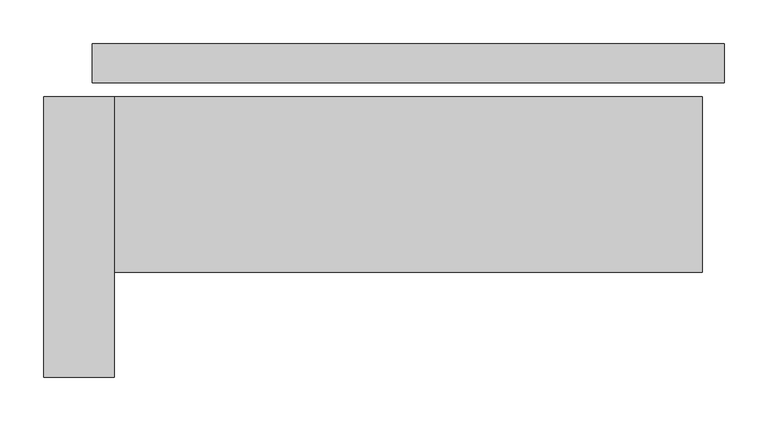
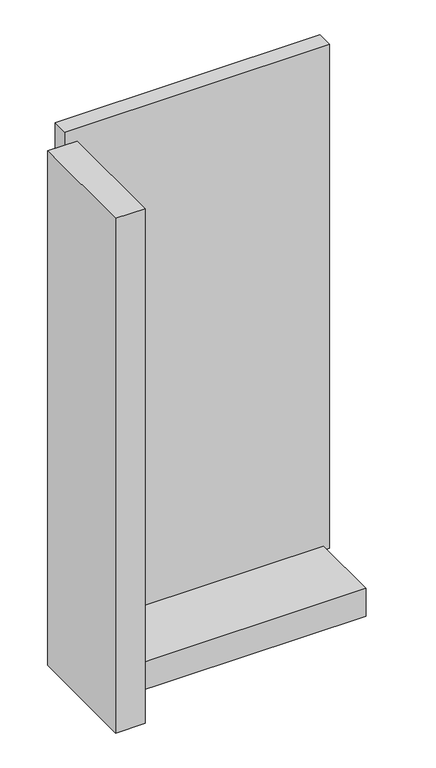
"""IFC4 building model written with IfcOpenShell, lengths in millimetres: plate geometry."""

from ifc_helpers import new_model, si_unit, frame, origin, origin_with_axes, place, context, project, spatial, polyline, outline, extrude, source, transform, mapped, element, save


def plate_7932d9bd(model_context):
    return source(origin(), model_context, "Body", "SweptSolid", [
        extrude(outline(polyline([(360.0, 0.0), (360.0, -44.0), (-360.0, -44.0), (-360.0, 0.0), (360.0, 0.0)])), origin_with_axes(), (0.0, 0.0, 1.0), 1447.534293),
        extrude(outline(polyline([(-335.0, -60.0), (-335.0, -380.0), (-415.0, -380.0), (-415.0, -60.0), (-335.0, -60.0)])), frame((0.0, 0.0, -55.0), z_axis=(0.0, 0.0, 1.0), x_axis=(1.0, 0.0, 0.0)), (0.0, 0.0, 1.0), 1477.534293),
        extrude(outline(polyline([(335.0, -260.0), (-335.0, -260.0), (-335.0, -60.0), (335.0, -60.0), (335.0, -260.0)])), frame((0.0, 0.0, -55.0), z_axis=(0.0, 0.0, 1.0), x_axis=(1.0, 0.0, 0.0)), (0.0, 0.0, 1.0), 80.0),
    ])


if __name__ == "__main__":
    model = new_model("IFC4")
    model_context = context("Model", 3, world=origin())
    ifc_project = project(units=[si_unit("LENGTHUNIT", "METRE", prefix="MILLI")], contexts=[model_context])
    site = spatial("IfcSite", under=ifc_project)
    building = spatial("IfcBuilding", under=site)
    placement = place(None, origin())
    plate_shape = plate_7932d9bd(model_context)
    element("IfcPlate", 1, at=placement, inside=building, context=model_context, shape_type="MappedRepresentation", body=[
        mapped(plate_shape, transform((0.0, 0.0, 0.0), x_axis=(1.0, 0.0, 0.0), y_axis=(0.0, 1.0, 0.0), z_axis=(0.0, 0.0, 1.0))),
    ])
    save(model, "model.ifc")
